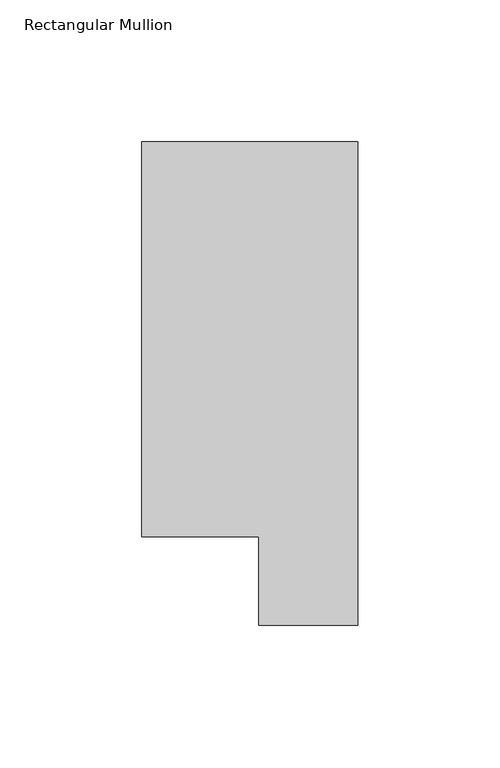
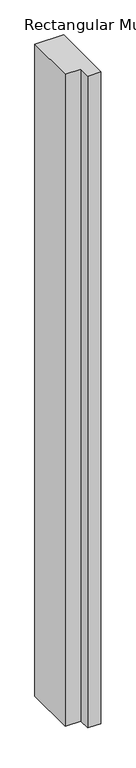
"""IFC4 building model written with IfcOpenShell, lengths in millimetres: member geometry, Rectangular Mullion."""

from ifc_helpers import new_model, si_unit, frame, origin, place, context, project, spatial, polyline, outline, extrude, source, transform, mapped, element, save


def rectangular_mullion_b9251ea9(model_context):
    return source(origin(), model_context, "Body", "SweptSolid", [
        extrude(outline(polyline([(-76.2, 190.0007313), (0.0, 190.0007313), (0.0, 19.5667313), (-34.9123, 19.5667313), (-34.9123, 50.820278), (-76.2, 50.820278), (-76.2, 190.0007313)])), frame((0.0, 0.0, -1828.8), z_axis=(0.0, 0.0, 1.0), x_axis=(1.0, 0.0, 0.0)), (0.0, 0.0, 1.0), 1828.8),
    ])


if __name__ == "__main__":
    model = new_model("IFC4")
    model_context = context("Model", 3, world=origin())
    ifc_project = project(units=[si_unit("LENGTHUNIT", "METRE", prefix="MILLI")], contexts=[model_context])
    site = spatial("IfcSite", under=ifc_project)
    building = spatial("IfcBuilding", under=site)
    placement = place(None, origin())
    rectangular_mullion_shape = rectangular_mullion_b9251ea9(model_context)
    element("IfcMember", 1, ObjectType="Rectangular Mullion", at=placement, inside=building, context=model_context, shape_type="MappedRepresentation", body=[
        mapped(rectangular_mullion_shape, transform((0.0, 0.0, 0.0), x_axis=(1.0, 0.0, 0.0), y_axis=(0.0, 1.0, 0.0), z_axis=(0.0, 0.0, 1.0))),
    ])
    save(model, "model.ifc")
